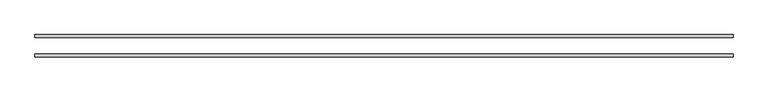
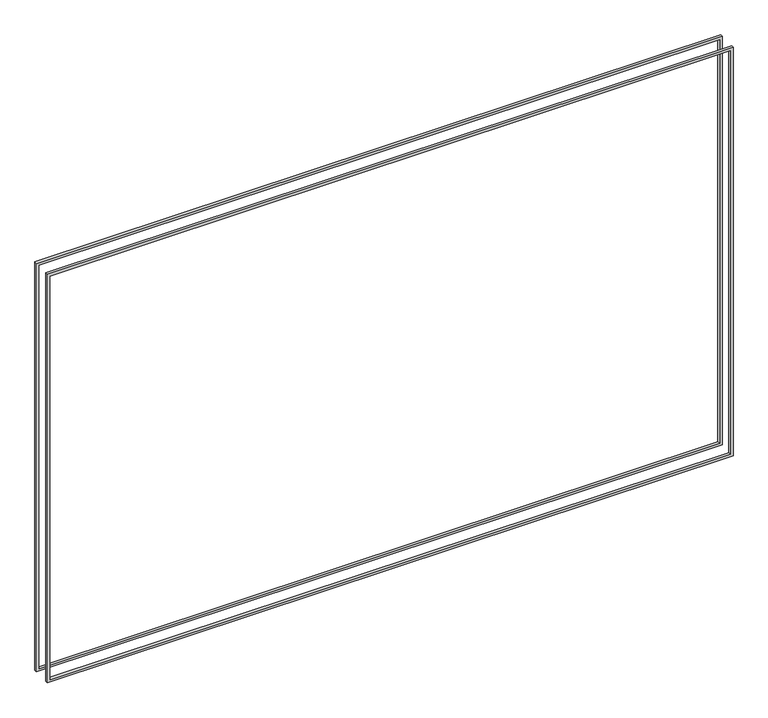
"""IFC4 building model written with IfcOpenShell, lengths in millimetres: proxy geometry."""

from ifc_helpers import new_model, si_unit, frame, origin, place, context, project, spatial, polyline, outline, extrude, source, transform, mapped, element, save


def generic_models_fcd1aab3(model_context):
    return source(origin(), model_context, "Body", "SweptSolid", [
        extrude(outline(polyline([(2392.3625, -649.2875), (26.9875, -649.2875), (26.9875, 3106.7375), (2392.3625, 3106.7375), (2392.3625, -649.2875)]), holes=[polyline([(2378.075, 3092.45), (41.275, 3092.45), (41.275, -635.0), (2378.075, -635.0), (2378.075, 3092.45)])]), frame((0.0, -59.53125, 0.0), z_axis=(0.0, 1.0, 0.0), x_axis=(0.0, 0.0, 1.0)), (0.0, 0.0, 1.0), 15.08125),
        extrude(outline(polyline([(26.9875, 3106.7375), (2392.3625, 3106.7375), (2392.3625, -649.2875), (26.9875, -649.2875), (26.9875, 3106.7375)]), holes=[polyline([(41.275, -635.0), (2378.075, -635.0), (2378.075, 3092.45), (41.275, 3092.45), (41.275, -635.0)])]), frame((0.0, 44.45, 0.0), z_axis=(0.0, 1.0, 0.0), x_axis=(0.0, 0.0, 1.0)), (0.0, 0.0, 1.0), 15.08125),
    ])


if __name__ == "__main__":
    model = new_model("IFC4")
    model_context = context("Model", 3, world=origin())
    ifc_project = project(units=[si_unit("LENGTHUNIT", "METRE", prefix="MILLI")], contexts=[model_context])
    site = spatial("IfcSite", under=ifc_project)
    building = spatial("IfcBuilding", under=site)
    placement = place(None, origin())
    generic_models_shape = generic_models_fcd1aab3(model_context)
    element("IfcBuildingElementProxy", 1, Name="Generic Models", at=placement, inside=building, context=model_context, shape_type="MappedRepresentation", body=[
        mapped(generic_models_shape, transform((0.0, 0.0, 0.0), x_axis=(1.0, 0.0, 0.0), y_axis=(0.0, 1.0, 0.0), z_axis=(0.0, 0.0, 1.0))),
    ])
    save(model, "model.ifc")
